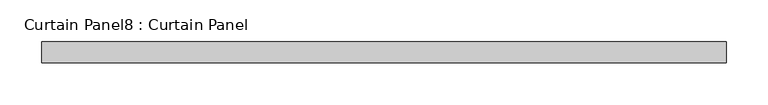
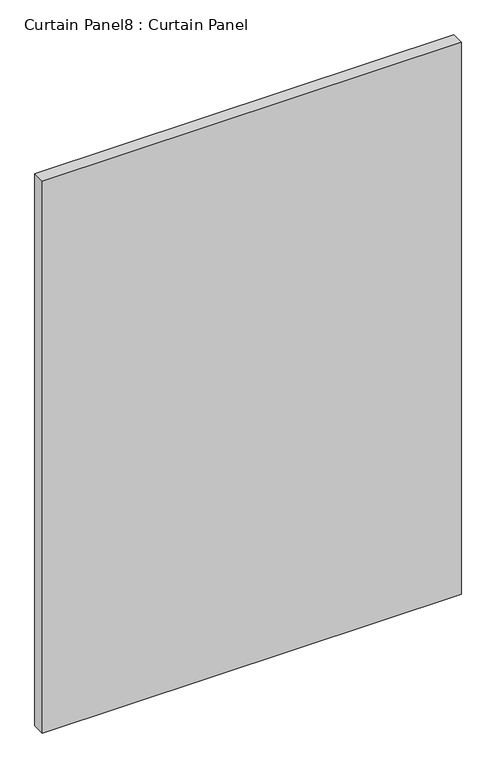
"""IFC4 building model written with IfcOpenShell, lengths in millimetres: plate geometry, Curtain Panel8 : Curtain Panel."""

from ifc_helpers import new_model, si_unit, frame, origin, place, context, project, spatial, polyline, outline, extrude, source, transform, mapped, element, save


def curtain_panel8_curtain_panel_a407f435(model_context):
    return source(origin(), model_context, "Body", "SweptSolid", [
        extrude(outline(polyline([(-174053.1034869, 4757.6387985), (-174874.2378689, 4757.6387985), (-174874.2378689, 4783.0387985), (-174053.1034869, 4783.0387985), (-174053.1034869, 4757.6387985)])), frame((0.0, 0.0, 2455.8625), z_axis=(0.0, 0.0, 1.0), x_axis=(1.0, 0.0, 0.0)), (0.0, 0.0, 1.0), 1143.0),
    ])


if __name__ == "__main__":
    model = new_model("IFC4")
    model_context = context("Model", 3, world=origin())
    ifc_project = project(units=[si_unit("LENGTHUNIT", "METRE", prefix="MILLI")], contexts=[model_context])
    site = spatial("IfcSite", under=ifc_project)
    building = spatial("IfcBuilding", under=site)
    placement = place(None, origin())
    curtain_panel8_curtain_panel_shape = curtain_panel8_curtain_panel_a407f435(model_context)
    element("IfcPlate", 1, ObjectType="Curtain Panel8 : Curtain Panel", at=placement, inside=building, context=model_context, shape_type="MappedRepresentation", body=[
        mapped(curtain_panel8_curtain_panel_shape, transform((0.0, 0.0, 0.0), x_axis=(1.0, 0.0, 0.0), y_axis=(0.0, 1.0, 0.0), z_axis=(0.0, 0.0, 1.0))),
    ])
    save(model, "model.ifc")
